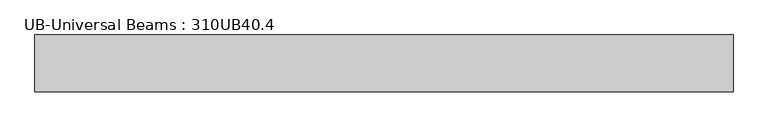
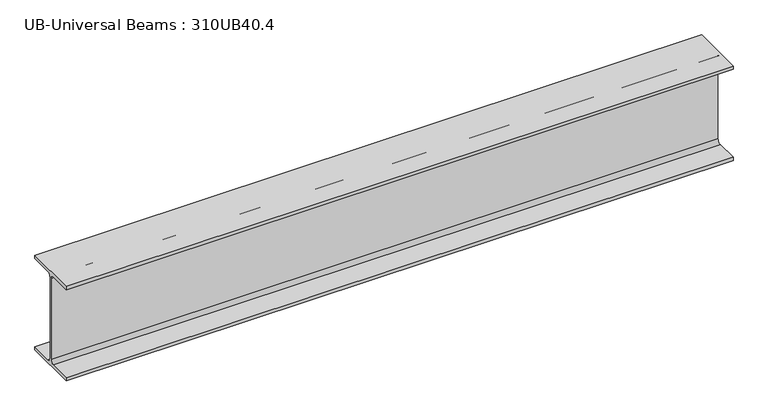
"""IFC4 building model written with IfcOpenShell, lengths in millimetres: beam geometry, UB-Universal Beams : 310UB40.4."""

from ifc_helpers import new_model, si_unit, point, frame, frame_2d, origin, place, context, project, spatial, polyline, circle_curve, trimmed, segment, composite_curve, outline, extrude, source, transform, mapped, element, save


def ub_universal_beams_310ub40_4_2dd72c29(model_context):
    return source(origin(), model_context, "Body", "SweptSolid", [
        extrude(outline(composite_curve([segment(polyline([(82.5, -141.8), (82.5, -152.0), (-82.5, -152.0), (-82.5, -141.8), (-14.45, -141.8)]), True, "CONTINUOUS"), segment(trimmed(circle_curve(frame_2d((-14.45, -130.4)), 11.4), [point((-14.45, -141.8))], [point((-3.05, -130.4))], True, "CARTESIAN"), True, "CONTINUOUS"), segment(polyline([(-3.05, -130.4), (-3.05, 130.4)]), True, "CONTINUOUS"), segment(trimmed(circle_curve(frame_2d((-14.45, 130.4)), 11.4), [point((-3.05, 130.4))], [point((-14.45, 141.8))], True, "CARTESIAN"), True, "CONTINUOUS"), segment(polyline([(-14.45, 141.8), (-82.5, 141.8), (-82.5, 152.0), (82.5, 152.0), (82.5, 141.8), (14.45, 141.8)]), True, "CONTINUOUS"), segment(trimmed(circle_curve(frame_2d((14.45, 130.4)), 11.4), [point((14.45, 141.8))], [point((3.05, 130.4))], True, "CARTESIAN"), True, "CONTINUOUS"), segment(polyline([(3.05, 130.4), (3.05, -130.4)]), True, "CONTINUOUS"), segment(trimmed(circle_curve(frame_2d((14.45, -130.4)), 11.4), [point((3.05, -130.4))], [point((14.45, -141.8))], True, "CARTESIAN"), True, "CONTINUOUS"), segment(polyline([(14.45, -141.8), (82.5, -141.8)]), True, "CONTINUOUS")], self_intersect=False)), frame((-1119.7, 0.0, 0.0), z_axis=(1.0, 0.0, 0.0), x_axis=(0.0, 1.0, 0.0)), (0.0, 0.0, 1.0), 2026.7),
    ])


if __name__ == "__main__":
    model = new_model("IFC4")
    model_context = context("Model", 3, world=origin())
    ifc_project = project(units=[si_unit("LENGTHUNIT", "METRE", prefix="MILLI")], contexts=[model_context])
    site = spatial("IfcSite", under=ifc_project)
    building = spatial("IfcBuilding", under=site)
    placement = place(None, origin())
    ub_universal_beams_310ub40_4_shape = ub_universal_beams_310ub40_4_2dd72c29(model_context)
    element("IfcBeam", 1, ObjectType="UB-Universal Beams : 310UB40.4", at=placement, inside=building, context=model_context, shape_type="MappedRepresentation", body=[
        mapped(ub_universal_beams_310ub40_4_shape, transform((0.0, 0.0, 0.0), x_axis=(1.0, 0.0, 0.0), y_axis=(0.0, 1.0, 0.0), z_axis=(0.0, 0.0, 1.0))),
    ])
    save(model, "model.ifc")
